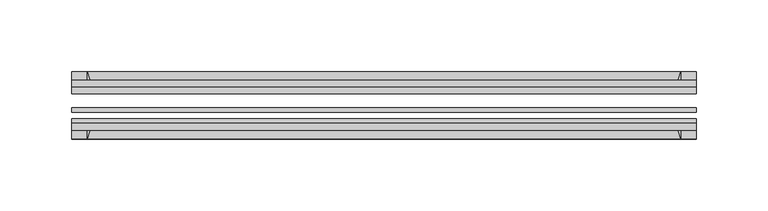
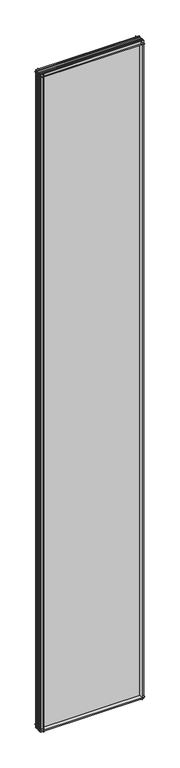
"""IFC4 building model written with IfcOpenShell, lengths in millimetres: plate geometry."""

import ifcopenshell
import ifcopenshell.guid

model = None  # the IFC model being written
_history = None  # IfcOwnerHistory: only IFC2X3 demands one
_inside = {}  # id of a spatial element -> (the spatial element, [elements in it])
_under = {}  # id of a project, library or spatial element -> (it, [spatial elements below it])
_declared = {}  # id of a project -> (the project, [libraries it declares])
_typed = {}  # id of a type object -> (the type object, [elements of that type])
_made_of = {}  # id of a material, layer set ... -> (it, [elements and type objects made of it])


def new_model(schema):
    """Start an empty IFC model of exactly this schema.

    Asked for "IFC4X3", IfcOpenShell would pick the latest addendum, in which some entities
    have other attributes; the version numbers below select the first issue.
    IFC2X3 requires an IfcOwnerHistory on every rooted entity: one is made here for all.
    """
    global model, _history
    if schema == "IFC4X3":
        model = ifcopenshell.file(schema_version=(4, 3, 0, 0))
    else:
        model = ifcopenshell.file(schema=schema)
    _inside.clear()
    _under.clear()
    _declared.clear()
    _typed.clear()
    _made_of.clear()
    _history = None
    if model.schema == "IFC2X3":
        org = make("IfcOrganization", Name="unknown")
        user = make(
            "IfcPersonAndOrganization",
            ThePerson=make("IfcPerson", FamilyName="unknown"),
            TheOrganization=org,
        )
        app = make(
            "IfcApplication",
            ApplicationDeveloper=org,
            Version="unknown",
            ApplicationFullName="unknown",
            ApplicationIdentifier="unknown",
        )
        _history = make(
            "IfcOwnerHistory",
            OwningUser=user,
            OwningApplication=app,
            ChangeAction="ADDED",
            CreationDate=0,
        )
    return model


def make(cls, **values):
    """One entity of the class cls with the attributes given. An attribute that is None is left unset."""
    return model.create_entity(
        cls, **{name: value for name, value in values.items() if value is not None}
    )


def rooted(cls, **values):
    """An entity with a GlobalId (a new one), such as an element, a storey or a relation."""
    return make(cls, GlobalId=ifcopenshell.guid.new(), OwnerHistory=_history, **values)


def si_unit(unit_type, name, prefix=None):
    """IfcSIUnit, for example si_unit("LENGTHUNIT", "METRE", prefix="MILLI")."""
    return make("IfcSIUnit", UnitType=unit_type, Prefix=prefix, Name=name)


def assignment(units):
    """IfcUnitAssignment: the units of a project."""
    return None if units is None else make("IfcUnitAssignment", Units=units)


def point(xyz):
    """IfcCartesianPoint."""
    return None if xyz is None else make("IfcCartesianPoint", Coordinates=xyz)


def direction(xyz):
    """IfcDirection."""
    return None if xyz is None else make("IfcDirection", DirectionRatios=xyz)


def frame(location, z_axis=None, x_axis=None):
    """IfcAxis2Placement3D, a coordinate frame: its origin and axes. An axis left out is left unset."""
    return make(
        "IfcAxis2Placement3D",
        Location=point(location),
        Axis=direction(z_axis),
        RefDirection=direction(x_axis),
    )


def frame_2d(location, x_axis=None):
    """IfcAxis2Placement2D, a coordinate frame in the plane: its origin and x axis."""
    return make(
        "IfcAxis2Placement2D", Location=point(location), RefDirection=direction(x_axis)
    )


def origin():
    """The frame at (0, 0, 0) with its axes left unset."""
    return frame((0.0, 0.0, 0.0))


def place(relative_to, where):
    """IfcLocalPlacement: puts the frame where relative to a parent placement (None: the world)."""
    return make(
        "IfcLocalPlacement", PlacementRelTo=relative_to, RelativePlacement=where
    )


def context(
    kind, dimensions, precision=None, world=None, true_north=None, identifier=None
):
    """IfcGeometricRepresentationContext, for example the 3D "Model" context."""
    return make(
        "IfcGeometricRepresentationContext",
        ContextIdentifier=identifier,
        ContextType=kind,
        CoordinateSpaceDimension=dimensions,
        Precision=precision,
        WorldCoordinateSystem=world,
        TrueNorth=true_north,
    )


def project(units=None, contexts=None):
    """IfcProject with its units and contexts."""
    return rooted(
        "IfcProject",
        Name="project",
        RepresentationContexts=contexts,
        UnitsInContext=assignment(units),
    )


def spatial(cls, under=None, at=None, **own):
    """A site, building, storey or space (cls), placed at a placement, below another one or the project."""
    s = rooted(cls, ObjectPlacement=at, **own)
    if under is not None:
        _under.setdefault(under.id(), (under, []))[1].append(s)
    return s


def polyline(points):
    """IfcPolyline through the points."""
    return make("IfcPolyline", Points=[point(p) for p in points])


def circle_curve(where, radius):
    """IfcCircle in the frame where."""
    return make("IfcCircle", Position=where, Radius=radius)


def trimmed(basis, trim1, trim2, sense, master):
    """IfcTrimmedCurve: the piece of a basis curve between two trims."""
    return make(
        "IfcTrimmedCurve",
        BasisCurve=basis,
        Trim1=trim1,
        Trim2=trim2,
        SenseAgreement=sense,
        MasterRepresentation=master,
    )


def segment(curve, same_sense, transition):
    """IfcCompositeCurveSegment."""
    return make(
        "IfcCompositeCurveSegment",
        Transition=transition,
        SameSense=same_sense,
        ParentCurve=curve,
    )


def composite_curve(segments, self_intersect=None):
    """IfcCompositeCurve: segments joined end to end."""
    return make("IfcCompositeCurve", Segments=segments, SelfIntersect=self_intersect)


def outline(outer, holes=None, kind="AREA"):
    """IfcArbitraryClosedProfileDef: a profile drawn as a closed curve; with holes, ...WithVoids."""
    if holes is None:
        return make("IfcArbitraryClosedProfileDef", ProfileType=kind, OuterCurve=outer)
    return make(
        "IfcArbitraryProfileDefWithVoids",
        ProfileType=kind,
        OuterCurve=outer,
        InnerCurves=holes,
    )


def extrude(swept, where, along, depth):
    """IfcExtrudedAreaSolid: the profile swept, set in the frame where, extruded along a direction by depth."""
    return make(
        "IfcExtrudedAreaSolid",
        SweptArea=swept,
        Position=where,
        ExtrudedDirection=direction(along),
        Depth=depth,
    )


def shape(context_of_items, identifier, shape_type, items):
    """IfcShapeRepresentation: the items that make up one representation, for example the "Body"."""
    return make(
        "IfcShapeRepresentation",
        ContextOfItems=context_of_items,
        RepresentationIdentifier=identifier,
        RepresentationType=shape_type,
        Items=items,
    )


def source(mapping_origin, context_of_items, identifier, shape_type, items):
    """IfcRepresentationMap: a shape defined once, which mapped items show again and again."""
    return make(
        "IfcRepresentationMap",
        MappingOrigin=mapping_origin,
        MappedRepresentation=shape(context_of_items, identifier, shape_type, items),
    )


def transform(
    local_origin,
    x_axis=None,
    y_axis=None,
    z_axis=None,
    scale=None,
    scale2=None,
    scale3=None,
    uniform=True,
):
    """IfcCartesianTransformationOperator3D, or its non-uniform kind. x_axis, y_axis, z_axis: its Axis1, 2, 3."""
    if uniform:
        return make(
            "IfcCartesianTransformationOperator3D",
            Axis1=direction(x_axis),
            Axis2=direction(y_axis),
            LocalOrigin=point(local_origin),
            Scale=scale,
            Axis3=direction(z_axis),
        )
    return make(
        "IfcCartesianTransformationOperator3DnonUniform",
        Axis1=direction(x_axis),
        Axis2=direction(y_axis),
        LocalOrigin=point(local_origin),
        Scale=scale,
        Axis3=direction(z_axis),
        Scale2=scale2,
        Scale3=scale3,
    )


def mapped(mapping_source, mapping_target):
    """IfcMappedItem: shows the shape of a source again, moved by a transform."""
    return make(
        "IfcMappedItem", MappingSource=mapping_source, MappingTarget=mapping_target
    )


def made_of(thing, what):
    """Note that an element or type object is made of a material, layer set ...; save() writes the relation."""
    if what is not None:
        _made_of.setdefault(what.id(), (what, []))[1].append(thing)
    return thing


def element(
    cls,
    number,
    at=None,
    inside=None,
    cuts=None,
    type_object=None,
    material=None,
    context=None,
    identifier="Body",
    shape_type=None,
    held_by="IfcProductDefinitionShape",
    body=None,
    shapes=None,
    **own,
):
    """One element of the class cls, such as IfcWall. Its Tag is "e" and its number.

    at: its placement. inside: the storey or other place that contains it. cuts: it is an
    opening in that element (IfcRelVoidsElement). A single representation is given by context,
    identifier, shape_type and body (its items); several are given by shapes. held_by: the class
    of the entity that holds the representations. save() writes the other relations.
    """
    e = rooted(cls, Tag="e%d" % number, ObjectPlacement=at, **own)
    if body is not None:
        shapes = [shape(context, identifier, shape_type, body)]
    if shapes is not None:
        e.Representation = make(held_by, Representations=shapes)
    if inside is not None:
        _inside.setdefault(inside.id(), (inside, []))[1].append(e)
    if cuts is not None:
        rooted(
            "IfcRelVoidsElement", RelatingBuildingElement=cuts, RelatedOpeningElement=e
        )
    if type_object is not None:
        _typed.setdefault(type_object.id(), (type_object, []))[1].append(e)
    return made_of(e, material)


def aggregate(whole, parts):
    """IfcRelAggregates: a whole, such as a stair, and the parts it consists of."""
    return rooted("IfcRelAggregates", RelatingObject=whole, RelatedObjects=parts)


def save(model, path):
    """Write the relations noted so far, then the file.

    IfcRelAggregates (storeys below a building ...), IfcRelContainedInSpatialStructure (elements
    in a storey), IfcRelDefinesByType, IfcRelAssociatesMaterial and IfcRelDeclares: one each for
    every whole, place, type object, material and project.
    """
    for whole, parts in _under.values():
        aggregate(whole, parts)
    for where, things in _inside.values():
        rooted(
            "IfcRelContainedInSpatialStructure",
            RelatedElements=things,
            RelatingStructure=where,
        )
    for kind, things in _typed.values():
        rooted("IfcRelDefinesByType", RelatedObjects=things, RelatingType=kind)
    for what, things in _made_of.values():
        rooted("IfcRelAssociatesMaterial", RelatedObjects=things, RelatingMaterial=what)
    for by, libraries in _declared.values():
        rooted("IfcRelDeclares", RelatingContext=by, RelatedDefinitions=libraries)
    model.write(path)


def plate_26915d55(model_context):
    return source(origin(), model_context, "Body", "SweptSolid", [
        extrude(outline(composite_curve([segment(polyline([(-74.653775, 0.0), (-80.586498, 0.0)]), True, "CONTINUOUS"), segment(trimmed(circle_curve(frame_2d((-86.2543953, 32.273404)), 32.7673262), [point((-80.586498, 0.0))], [point((-69.878575, 3.8915405))], True, "CARTESIAN"), True, "CONTINUOUS"), segment(polyline([(-69.878575, 3.8915405), (-69.878575, -10.31875), (-74.653775, -10.31875), (-74.653775, 0.0)]), True, "CONTINUOUS")], self_intersect=False)), frame((-218.28125, 0.0, 0.0), z_axis=(1.0, 0.0, 0.0), x_axis=(0.0, 1.0, 0.0)), (0.0, 0.0, 1.0), 436.5625),
        extrude(outline(composite_curve([segment(polyline([(-44.478575, -10.31875), (-44.478575, 3.8915405)]), True, "CONTINUOUS"), segment(trimmed(circle_curve(frame_2d((-28.1027547, 32.273404)), 32.7673262), [point((-44.478575, 3.8915405))], [point((-33.770652, 0.0))], True, "CARTESIAN"), True, "CONTINUOUS"), segment(polyline([(-33.770652, 0.0), (-39.703375, 0.0), (-39.703375, -10.31875), (-44.478575, -10.31875)]), True, "CONTINUOUS")], self_intersect=False)), frame((-218.28125, 0.0, 0.0), z_axis=(1.0, 0.0, 0.0), x_axis=(0.0, 1.0, 0.0)), (0.0, 0.0, 1.0), 436.5625),
        extrude(outline(composite_curve([segment(trimmed(circle_curve(frame_2d((-86.2543953, 2882.370246)), 32.7673262), [point((-69.878575, 2910.7521095))], [point((-80.622775, 2914.65))], True, "CARTESIAN"), True, "CONTINUOUS"), segment(polyline([(-80.622775, 2914.65), (-74.653775, 2914.65), (-74.653775, 2925.7625), (-69.878575, 2925.7625), (-69.878575, 2910.7521095)]), True, "CONTINUOUS")], self_intersect=False)), frame((-218.28125, 0.0, 0.0), z_axis=(1.0, 0.0, 0.0), x_axis=(0.0, 1.0, 0.0)), (0.0, 0.0, 1.0), 436.5625),
        extrude(outline(composite_curve([segment(polyline([(-44.478575, 2910.7521095), (-44.478575, 2925.7625), (-39.703375, 2925.7625), (-39.703375, 2914.65), (-33.734375, 2914.65)]), True, "CONTINUOUS"), segment(trimmed(circle_curve(frame_2d((-28.1027547, 2882.370246)), 32.7673262), [point((-33.734375, 2914.65))], [point((-44.478575, 2910.7521095))], True, "CARTESIAN"), True, "CONTINUOUS")], self_intersect=False)), frame((-218.28125, 0.0, 0.0), z_axis=(1.0, 0.0, 0.0), x_axis=(0.0, 1.0, 0.0)), (0.0, 0.0, 1.0), 436.5625),
        extrude(outline(composite_curve([segment(polyline([(203.2708595, -69.878575), (218.28125, -69.878575), (218.28125, -74.653775), (207.16875, -74.653775), (207.16875, -80.622775)]), True, "CONTINUOUS"), segment(trimmed(circle_curve(frame_2d((174.888996, -86.2543953)), 32.7673262), [point((207.16875, -80.622775))], [point((203.2708595, -69.878575))], True, "CARTESIAN"), True, "CONTINUOUS")], self_intersect=False)), frame((0.0, 0.0, -10.31875), z_axis=(0.0, 0.0, 1.0), x_axis=(1.0, 0.0, 0.0)), (0.0, 0.0, 1.0), 2936.08125),
        extrude(outline(composite_curve([segment(trimmed(circle_curve(frame_2d((174.888996, -28.1027547)), 32.7673262), [point((203.2708595, -44.478575))], [point((207.16875, -33.734375))], True, "CARTESIAN"), True, "CONTINUOUS"), segment(polyline([(207.16875, -33.734375), (207.16875, -39.703375), (218.28125, -39.703375), (218.28125, -44.478575), (203.2708595, -44.478575)]), True, "CONTINUOUS")], self_intersect=False)), frame((0.0, 0.0, -10.31875), z_axis=(0.0, 0.0, 1.0), x_axis=(1.0, 0.0, 0.0)), (0.0, 0.0, 1.0), 2936.08125),
        extrude(outline(composite_curve([segment(trimmed(circle_curve(frame_2d((-174.888996, -86.2543953)), 32.7673262), [point((-203.2708595, -69.878575))], [point((-207.16875, -80.622775))], True, "CARTESIAN"), True, "CONTINUOUS"), segment(polyline([(-207.16875, -80.622775), (-207.16875, -74.653775), (-218.28125, -74.653775), (-218.28125, -69.878575), (-203.2708595, -69.878575)]), True, "CONTINUOUS")], self_intersect=False)), frame((0.0, 0.0, -10.31875), z_axis=(0.0, 0.0, 1.0), x_axis=(1.0, 0.0, 0.0)), (0.0, 0.0, 1.0), 2936.08125),
        extrude(outline(composite_curve([segment(polyline([(-203.2708595, -44.478575), (-218.28125, -44.478575), (-218.28125, -39.703375), (-207.16875, -39.703375), (-207.16875, -33.734375)]), True, "CONTINUOUS"), segment(trimmed(circle_curve(frame_2d((-174.888996, -28.1027547)), 32.7673262), [point((-207.16875, -33.734375))], [point((-203.2708595, -44.478575))], True, "CARTESIAN"), True, "CONTINUOUS")], self_intersect=False)), frame((0.0, 0.0, -10.31875), z_axis=(0.0, 0.0, 1.0), x_axis=(1.0, 0.0, 0.0)), (0.0, 0.0, 1.0), 2936.08125),
        extrude(outline(polyline([(-218.28125, -44.478575), (218.28125, -44.478575), (218.28125, -49.241075), (-218.28125, -49.241075), (-218.28125, -44.478575)])), frame((0.0, 0.0, -10.31875), z_axis=(0.0, 0.0, 1.0), x_axis=(1.0, 0.0, 0.0)), (0.0, 0.0, 1.0), 2936.08125),
        extrude(outline(polyline([(218.28125, -58.956575), (218.28125, -62.131575), (-218.28125, -62.131575), (-218.28125, -58.956575), (218.28125, -58.956575)])), frame((0.0, 0.0, -10.31875), z_axis=(0.0, 0.0, 1.0), x_axis=(1.0, 0.0, 0.0)), (0.0, 0.0, 1.0), 2936.08125),
        extrude(outline(polyline([(-218.28125, -66.703575), (218.28125, -66.703575), (218.28125, -69.878575), (-218.28125, -69.878575), (-218.28125, -66.703575)])), frame((0.0, 0.0, -10.31875), z_axis=(0.0, 0.0, 1.0), x_axis=(1.0, 0.0, 0.0)), (0.0, 0.0, 1.0), 2936.08125),
    ])


if __name__ == "__main__":
    model = new_model("IFC4")
    model_context = context("Model", 3, world=origin())
    ifc_project = project(units=[si_unit("LENGTHUNIT", "METRE", prefix="MILLI")], contexts=[model_context])
    site = spatial("IfcSite", under=ifc_project)
    building = spatial("IfcBuilding", under=site)
    placement = place(None, origin())
    plate_shape = plate_26915d55(model_context)
    element("IfcPlate", 1, at=placement, inside=building, context=model_context, shape_type="MappedRepresentation", body=[
        mapped(plate_shape, transform((0.0, 0.0, 0.0), x_axis=(1.0, 0.0, 0.0), y_axis=(0.0, 1.0, 0.0), z_axis=(0.0, 0.0, 1.0))),
    ])
    save(model, "model.ifc")
